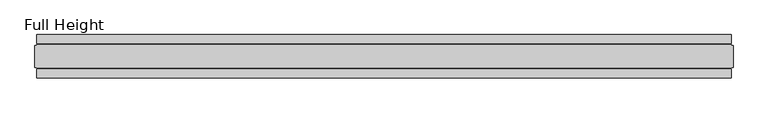
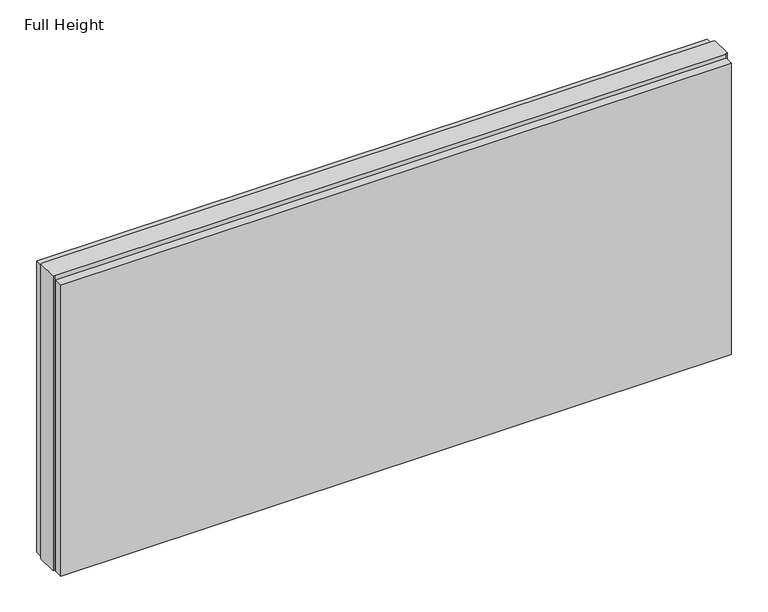
"""IFC4 building model written with IfcOpenShell, lengths in millimetres: plate geometry, Full Height."""

from ifc_helpers import new_model, si_unit, origin, origin_with_axes, place, context, project, spatial, polyline, outline, extrude, source, transform, mapped, element, save


def full_height_f5f4d69d(model_context):
    return source(origin(), model_context, "Body", "SweptSolid", [
        extrude(outline(polyline([(793.4910074, 28.956), (-793.4910074, 28.956), (-793.4910074, 49.53), (793.4910074, 49.53), (793.4910074, 28.956)])), origin_with_axes(), (0.0, 0.0, 1.0), 729.996),
        extrude(outline(polyline([(793.4910074, -28.956), (793.4910074, -49.53), (-793.4910074, -49.53), (-793.4910074, -28.956), (793.4910074, -28.956)])), origin_with_axes(), (0.0, 0.0, 1.0), 729.996),
        extrude(outline(polyline([(793.4910074, -25.146), (793.4910074, -26.67), (-793.4910074, -26.67), (-793.4910074, -25.146), (-798.0630074, -25.146), (-798.0630074, 25.146), (-793.4910074, 25.146), (-793.4910074, 26.67), (793.4910074, 26.67), (793.4910074, 25.146), (798.0630074, 25.146), (798.0630074, -25.146), (793.4910074, -25.146)])), origin_with_axes(), (0.0, 0.0, 1.0), 739.14),
    ])


if __name__ == "__main__":
    model = new_model("IFC4")
    model_context = context("Model", 3, world=origin())
    ifc_project = project(units=[si_unit("LENGTHUNIT", "METRE", prefix="MILLI")], contexts=[model_context])
    site = spatial("IfcSite", under=ifc_project)
    building = spatial("IfcBuilding", under=site)
    placement = place(None, origin())
    full_height_shape = full_height_f5f4d69d(model_context)
    element("IfcPlate", 1, ObjectType="Full Height", at=placement, inside=building, context=model_context, shape_type="MappedRepresentation", body=[
        mapped(full_height_shape, transform((0.0, 0.0, 0.0), x_axis=(1.0, 0.0, 0.0), y_axis=(0.0, 1.0, 0.0), z_axis=(0.0, 0.0, 1.0))),
    ])
    save(model, "model.ifc")
